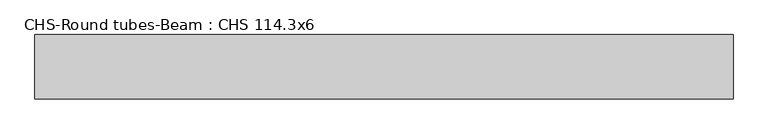
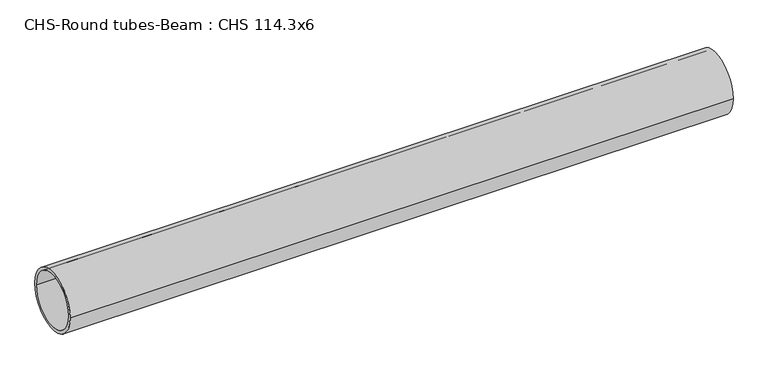
"""IFC4 building model written with IfcOpenShell, lengths in millimetres: beam geometry, CHS-Round tubes-Beam : CHS 114.3x6."""

from ifc_helpers import new_model, si_unit, point, frame, origin, origin_2d, place, context, project, spatial, circle_curve, trimmed, segment, composite_curve, outline, extrude, source, transform, mapped, element, save


def chs_round_tubes_beam_chs_114_3x6_0926108d(model_context):
    return source(origin(), model_context, "Body", "SweptSolid", [
        extrude(outline(composite_curve([segment(trimmed(circle_curve(origin_2d(), 57.15), [point((57.15, 0.0))], [point((-57.15, 0.0))], False, "CARTESIAN"), True, "CONTINUOUS"), segment(trimmed(circle_curve(origin_2d(), 57.15), [point((-57.15, 0.0))], [point((57.15, 0.0))], False, "CARTESIAN"), True, "CONTINUOUS")], self_intersect=False), holes=[composite_curve([segment(trimmed(circle_curve(origin_2d(), 51.15), [point((51.15, 0.0))], [point((-51.15, 0.0))], True, "CARTESIAN"), True, "CONTINUOUS"), segment(trimmed(circle_curve(origin_2d(), 51.15), [point((-51.15, 0.0))], [point((51.15, 0.0))], True, "CARTESIAN"), True, "CONTINUOUS")], self_intersect=False)]), frame((-620.7965535, 0.0, 0.0), z_axis=(1.0, 0.0, 0.0), x_axis=(0.0, 1.0, 0.0)), (0.0, 0.0, 1.0), 1241.5950382),
    ])


if __name__ == "__main__":
    model = new_model("IFC4")
    model_context = context("Model", 3, world=origin())
    ifc_project = project(units=[si_unit("LENGTHUNIT", "METRE", prefix="MILLI")], contexts=[model_context])
    site = spatial("IfcSite", under=ifc_project)
    building = spatial("IfcBuilding", under=site)
    placement = place(None, origin())
    chs_round_tubes_beam_chs_114_3x6_shape = chs_round_tubes_beam_chs_114_3x6_0926108d(model_context)
    element("IfcBeam", 1, ObjectType="CHS-Round tubes-Beam : CHS 114.3x6", at=placement, inside=building, context=model_context, shape_type="MappedRepresentation", body=[
        mapped(chs_round_tubes_beam_chs_114_3x6_shape, transform((0.0, 0.0, 0.0), x_axis=(1.0, 0.0, 0.0), y_axis=(0.0, 1.0, 0.0), z_axis=(0.0, 0.0, 1.0))),
    ])
    save(model, "model.ifc")
